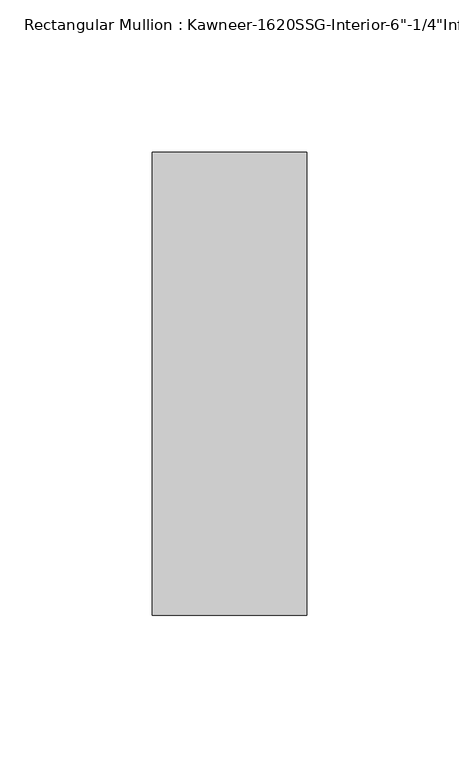
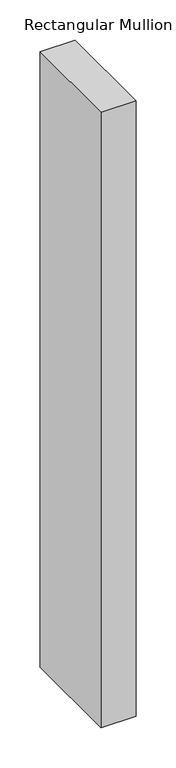
"""IFC4 building model written with IfcOpenShell, lengths in millimetres: member geometry."""

import ifcopenshell
import ifcopenshell.guid

model = None  # the IFC model being written
_history = None  # IfcOwnerHistory: only IFC2X3 demands one
_inside = {}  # id of a spatial element -> (the spatial element, [elements in it])
_under = {}  # id of a project, library or spatial element -> (it, [spatial elements below it])
_declared = {}  # id of a project -> (the project, [libraries it declares])
_typed = {}  # id of a type object -> (the type object, [elements of that type])
_made_of = {}  # id of a material, layer set ... -> (it, [elements and type objects made of it])


def new_model(schema):
    """Start an empty IFC model of exactly this schema.

    Asked for "IFC4X3", IfcOpenShell would pick the latest addendum, in which some entities
    have other attributes; the version numbers below select the first issue.
    IFC2X3 requires an IfcOwnerHistory on every rooted entity: one is made here for all.
    """
    global model, _history
    if schema == "IFC4X3":
        model = ifcopenshell.file(schema_version=(4, 3, 0, 0))
    else:
        model = ifcopenshell.file(schema=schema)
    _inside.clear()
    _under.clear()
    _declared.clear()
    _typed.clear()
    _made_of.clear()
    _history = None
    if model.schema == "IFC2X3":
        org = make("IfcOrganization", Name="unknown")
        user = make(
            "IfcPersonAndOrganization",
            ThePerson=make("IfcPerson", FamilyName="unknown"),
            TheOrganization=org,
        )
        app = make(
            "IfcApplication",
            ApplicationDeveloper=org,
            Version="unknown",
            ApplicationFullName="unknown",
            ApplicationIdentifier="unknown",
        )
        _history = make(
            "IfcOwnerHistory",
            OwningUser=user,
            OwningApplication=app,
            ChangeAction="ADDED",
            CreationDate=0,
        )
    return model


def make(cls, **values):
    """One entity of the class cls with the attributes given. An attribute that is None is left unset."""
    return model.create_entity(
        cls, **{name: value for name, value in values.items() if value is not None}
    )


def rooted(cls, **values):
    """An entity with a GlobalId (a new one), such as an element, a storey or a relation."""
    return make(cls, GlobalId=ifcopenshell.guid.new(), OwnerHistory=_history, **values)


def si_unit(unit_type, name, prefix=None):
    """IfcSIUnit, for example si_unit("LENGTHUNIT", "METRE", prefix="MILLI")."""
    return make("IfcSIUnit", UnitType=unit_type, Prefix=prefix, Name=name)


def assignment(units):
    """IfcUnitAssignment: the units of a project."""
    return None if units is None else make("IfcUnitAssignment", Units=units)


def point(xyz):
    """IfcCartesianPoint."""
    return None if xyz is None else make("IfcCartesianPoint", Coordinates=xyz)


def direction(xyz):
    """IfcDirection."""
    return None if xyz is None else make("IfcDirection", DirectionRatios=xyz)


def frame(location, z_axis=None, x_axis=None):
    """IfcAxis2Placement3D, a coordinate frame: its origin and axes. An axis left out is left unset."""
    return make(
        "IfcAxis2Placement3D",
        Location=point(location),
        Axis=direction(z_axis),
        RefDirection=direction(x_axis),
    )


def origin():
    """The frame at (0, 0, 0) with its axes left unset."""
    return frame((0.0, 0.0, 0.0))


def place(relative_to, where):
    """IfcLocalPlacement: puts the frame where relative to a parent placement (None: the world)."""
    return make(
        "IfcLocalPlacement", PlacementRelTo=relative_to, RelativePlacement=where
    )


def context(
    kind, dimensions, precision=None, world=None, true_north=None, identifier=None
):
    """IfcGeometricRepresentationContext, for example the 3D "Model" context."""
    return make(
        "IfcGeometricRepresentationContext",
        ContextIdentifier=identifier,
        ContextType=kind,
        CoordinateSpaceDimension=dimensions,
        Precision=precision,
        WorldCoordinateSystem=world,
        TrueNorth=true_north,
    )


def project(units=None, contexts=None):
    """IfcProject with its units and contexts."""
    return rooted(
        "IfcProject",
        Name="project",
        RepresentationContexts=contexts,
        UnitsInContext=assignment(units),
    )


def spatial(cls, under=None, at=None, **own):
    """A site, building, storey or space (cls), placed at a placement, below another one or the project."""
    s = rooted(cls, ObjectPlacement=at, **own)
    if under is not None:
        _under.setdefault(under.id(), (under, []))[1].append(s)
    return s


def polyline(points):
    """IfcPolyline through the points."""
    return make("IfcPolyline", Points=[point(p) for p in points])


def outline(outer, holes=None, kind="AREA"):
    """IfcArbitraryClosedProfileDef: a profile drawn as a closed curve; with holes, ...WithVoids."""
    if holes is None:
        return make("IfcArbitraryClosedProfileDef", ProfileType=kind, OuterCurve=outer)
    return make(
        "IfcArbitraryProfileDefWithVoids",
        ProfileType=kind,
        OuterCurve=outer,
        InnerCurves=holes,
    )


def extrude(swept, where, along, depth):
    """IfcExtrudedAreaSolid: the profile swept, set in the frame where, extruded along a direction by depth."""
    return make(
        "IfcExtrudedAreaSolid",
        SweptArea=swept,
        Position=where,
        ExtrudedDirection=direction(along),
        Depth=depth,
    )


def shape(context_of_items, identifier, shape_type, items):
    """IfcShapeRepresentation: the items that make up one representation, for example the "Body"."""
    return make(
        "IfcShapeRepresentation",
        ContextOfItems=context_of_items,
        RepresentationIdentifier=identifier,
        RepresentationType=shape_type,
        Items=items,
    )


def source(mapping_origin, context_of_items, identifier, shape_type, items):
    """IfcRepresentationMap: a shape defined once, which mapped items show again and again."""
    return make(
        "IfcRepresentationMap",
        MappingOrigin=mapping_origin,
        MappedRepresentation=shape(context_of_items, identifier, shape_type, items),
    )


def transform(
    local_origin,
    x_axis=None,
    y_axis=None,
    z_axis=None,
    scale=None,
    scale2=None,
    scale3=None,
    uniform=True,
):
    """IfcCartesianTransformationOperator3D, or its non-uniform kind. x_axis, y_axis, z_axis: its Axis1, 2, 3."""
    if uniform:
        return make(
            "IfcCartesianTransformationOperator3D",
            Axis1=direction(x_axis),
            Axis2=direction(y_axis),
            LocalOrigin=point(local_origin),
            Scale=scale,
            Axis3=direction(z_axis),
        )
    return make(
        "IfcCartesianTransformationOperator3DnonUniform",
        Axis1=direction(x_axis),
        Axis2=direction(y_axis),
        LocalOrigin=point(local_origin),
        Scale=scale,
        Axis3=direction(z_axis),
        Scale2=scale2,
        Scale3=scale3,
    )


def mapped(mapping_source, mapping_target):
    """IfcMappedItem: shows the shape of a source again, moved by a transform."""
    return make(
        "IfcMappedItem", MappingSource=mapping_source, MappingTarget=mapping_target
    )


def made_of(thing, what):
    """Note that an element or type object is made of a material, layer set ...; save() writes the relation."""
    if what is not None:
        _made_of.setdefault(what.id(), (what, []))[1].append(thing)
    return thing


def element(
    cls,
    number,
    at=None,
    inside=None,
    cuts=None,
    type_object=None,
    material=None,
    context=None,
    identifier="Body",
    shape_type=None,
    held_by="IfcProductDefinitionShape",
    body=None,
    shapes=None,
    **own,
):
    """One element of the class cls, such as IfcWall. Its Tag is "e" and its number.

    at: its placement. inside: the storey or other place that contains it. cuts: it is an
    opening in that element (IfcRelVoidsElement). A single representation is given by context,
    identifier, shape_type and body (its items); several are given by shapes. held_by: the class
    of the entity that holds the representations. save() writes the other relations.
    """
    e = rooted(cls, Tag="e%d" % number, ObjectPlacement=at, **own)
    if body is not None:
        shapes = [shape(context, identifier, shape_type, body)]
    if shapes is not None:
        e.Representation = make(held_by, Representations=shapes)
    if inside is not None:
        _inside.setdefault(inside.id(), (inside, []))[1].append(e)
    if cuts is not None:
        rooted(
            "IfcRelVoidsElement", RelatingBuildingElement=cuts, RelatedOpeningElement=e
        )
    if type_object is not None:
        _typed.setdefault(type_object.id(), (type_object, []))[1].append(e)
    return made_of(e, material)


def aggregate(whole, parts):
    """IfcRelAggregates: a whole, such as a stair, and the parts it consists of."""
    return rooted("IfcRelAggregates", RelatingObject=whole, RelatedObjects=parts)


def save(model, path):
    """Write the relations noted so far, then the file.

    IfcRelAggregates (storeys below a building ...), IfcRelContainedInSpatialStructure (elements
    in a storey), IfcRelDefinesByType, IfcRelAssociatesMaterial and IfcRelDeclares: one each for
    every whole, place, type object, material and project.
    """
    for whole, parts in _under.values():
        aggregate(whole, parts)
    for where, things in _inside.values():
        rooted(
            "IfcRelContainedInSpatialStructure",
            RelatedElements=things,
            RelatingStructure=where,
        )
    for kind, things in _typed.values():
        rooted("IfcRelDefinesByType", RelatedObjects=things, RelatingType=kind)
    for what, things in _made_of.values():
        rooted("IfcRelAssociatesMaterial", RelatedObjects=things, RelatingMaterial=what)
    for by, libraries in _declared.values():
        rooted("IfcRelDeclares", RelatingContext=by, RelatedDefinitions=libraries)
    model.write(path)


def member_922fc7f9(model_context):
    return source(origin(), model_context, "Body", "SweptSolid", [
        extrude(outline(polyline([(25.4, -123.825), (-25.4, -123.825), (-25.4, 28.575), (25.4, 28.575), (25.4, -123.825)])), frame((0.0, 0.0, -939.1230791), z_axis=(0.0, 0.0, 1.0), x_axis=(1.0, 0.0, 0.0)), (0.0, 0.0, 1.0), 939.1230791),
    ])


if __name__ == "__main__":
    model = new_model("IFC4")
    model_context = context("Model", 3, world=origin())
    ifc_project = project(units=[si_unit("LENGTHUNIT", "METRE", prefix="MILLI")], contexts=[model_context])
    site = spatial("IfcSite", under=ifc_project)
    building = spatial("IfcBuilding", under=site)
    placement = place(None, origin())
    member_shape = member_922fc7f9(model_context)
    element("IfcMember", 1, ObjectType="Rectangular Mullion : Kawneer-1620SSG-Interior-6\"-1/4\"Infill", at=placement, inside=building, context=model_context, shape_type="MappedRepresentation", body=[
        mapped(member_shape, transform((0.0, 0.0, 0.0), x_axis=(1.0, 0.0, 0.0), y_axis=(0.0, 1.0, 0.0), z_axis=(0.0, 0.0, 1.0))),
    ])
    save(model, "model.ifc")
